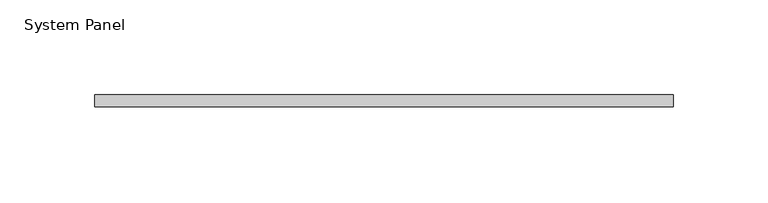
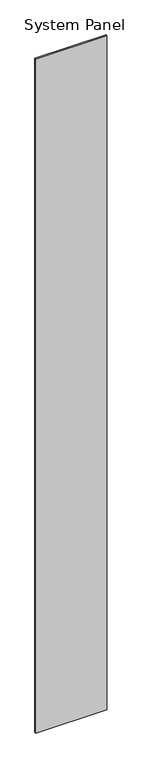
"""IFC4 building model written with IfcOpenShell, lengths in millimetres: plate geometry, System Panel."""

from ifc_helpers import new_model, si_unit, origin, origin_with_axes, place, context, project, spatial, polyline, outline, extrude, source, transform, mapped, element, save


def system_panel_3858fb32(model_context):
    return source(origin(), model_context, "Body", "SweptSolid", [
        extrude(outline(polyline([(152.4029514, -6.35), (-152.4029514, -6.35), (-152.4029514, 0.0), (152.4029514, 0.0), (152.4029514, -6.35)])), origin_with_axes(), (0.0, 0.0, 1.0), 3048.0),
    ])


if __name__ == "__main__":
    model = new_model("IFC4")
    model_context = context("Model", 3, world=origin())
    ifc_project = project(units=[si_unit("LENGTHUNIT", "METRE", prefix="MILLI")], contexts=[model_context])
    site = spatial("IfcSite", under=ifc_project)
    building = spatial("IfcBuilding", under=site)
    placement = place(None, origin())
    system_panel_shape = system_panel_3858fb32(model_context)
    element("IfcPlate", 1, ObjectType="System Panel", at=placement, inside=building, context=model_context, shape_type="MappedRepresentation", body=[
        mapped(system_panel_shape, transform((0.0, 0.0, 0.0), x_axis=(1.0, 0.0, 0.0), y_axis=(0.0, 1.0, 0.0), z_axis=(0.0, 0.0, 1.0))),
    ])
    save(model, "model.ifc")
